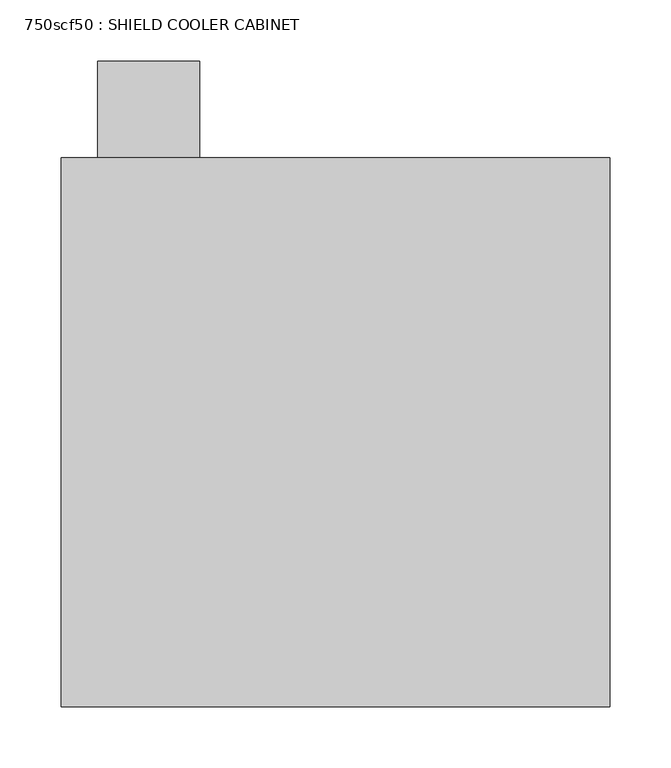
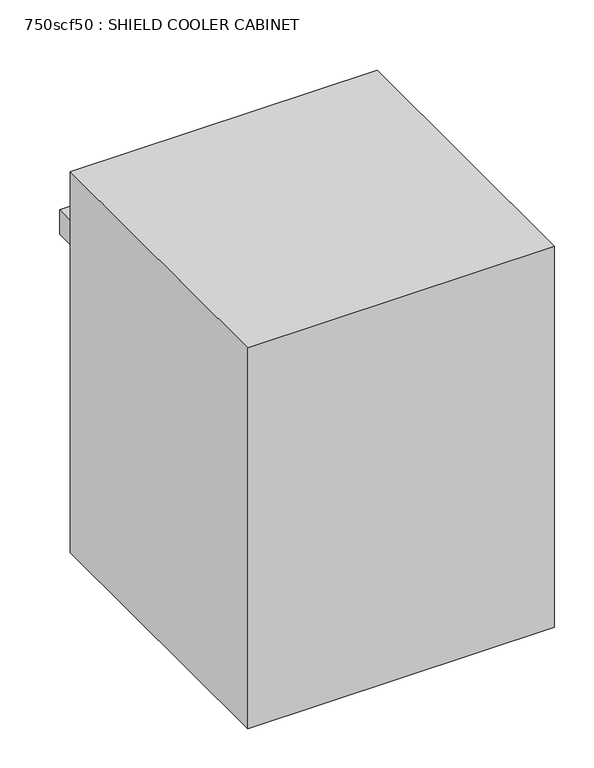
"""IFC4 building model written with IfcOpenShell, lengths in millimetres: proxy geometry, 750scf50 : SHIELD COOLER CABINET."""

from ifc_helpers import new_model, si_unit, frame, origin, origin_with_axes, place, context, project, spatial, polyline, outline, extrude, source, transform, mapped, element, save


def proxy_750scf50_shield_cooler_cabinet_da0a6591(model_context):
    return source(origin(), model_context, "Body", "SweptSolid", [
        extrude(outline(polyline([(-1237.6796091, 27.411903), (-1237.6796091, -51.6789439), (-1321.297024, -51.6789439), (-1321.297024, 27.411903), (-1237.6796091, 27.411903)])), frame((0.0, 0.0, 435.1314633), z_axis=(0.0, 0.0, 1.0), x_axis=(1.0, 0.0, 0.0)), (0.0, 0.0, 1.0), 38.1),
        extrude(outline(polyline([(-1351.4833537, -51.6789439), (-901.3953537, -51.6789439), (-901.3953537, -501.7669439), (-1351.4833537, -501.7669439), (-1351.4833537, -51.6789439)])), origin_with_axes(), (0.0, 0.0, 1.0), 590.55),
    ])


if __name__ == "__main__":
    model = new_model("IFC4")
    model_context = context("Model", 3, world=origin())
    ifc_project = project(units=[si_unit("LENGTHUNIT", "METRE", prefix="MILLI")], contexts=[model_context])
    site = spatial("IfcSite", under=ifc_project)
    building = spatial("IfcBuilding", under=site)
    placement = place(None, origin())
    proxy_750scf50_shield_cooler_cabinet_shape = proxy_750scf50_shield_cooler_cabinet_da0a6591(model_context)
    element("IfcBuildingElementProxy", 1, Name="750scf50 : SHIELD COOLER CABINET", ObjectType="750scf50 : SHIELD COOLER CABINET", at=placement, inside=building, context=model_context, shape_type="MappedRepresentation", body=[
        mapped(proxy_750scf50_shield_cooler_cabinet_shape, transform((0.0, 0.0, 0.0), x_axis=(1.0, 0.0, 0.0), y_axis=(0.0, 1.0, 0.0), z_axis=(0.0, 0.0, 1.0))),
    ])
    save(model, "model.ifc")
